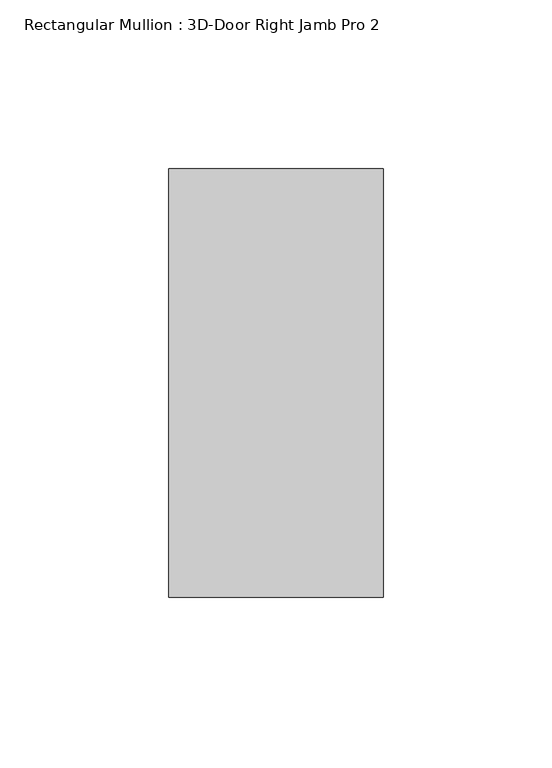
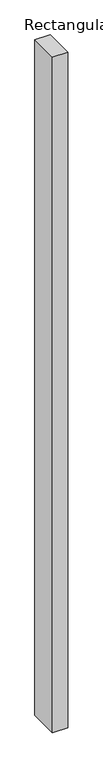
"""IFC4 building model written with IfcOpenShell, lengths in millimetres: member geometry, Rectangular Mullion : 3D-Door Right Jamb Pro 2."""

from ifc_helpers import new_model, si_unit, frame, origin, place, context, project, spatial, polyline, outline, extrude, source, transform, mapped, element, save


def rectangular_mullion_3d_door_right_jamb_pro_2_889d401a(model_context):
    return source(origin(), model_context, "Body", "SweptSolid", [
        extrude(outline(polyline([(-63.5, -63.6571461), (-63.5, 63.3428539), (0.0, 63.3428539), (0.0, -63.6571461), (-63.5, -63.6571461)])), frame((0.0, 0.0, -2984.5), z_axis=(0.0, 0.0, 1.0), x_axis=(1.0, 0.0, 0.0)), (0.0, 0.0, 1.0), 2984.5),
    ])


if __name__ == "__main__":
    model = new_model("IFC4")
    model_context = context("Model", 3, world=origin())
    ifc_project = project(units=[si_unit("LENGTHUNIT", "METRE", prefix="MILLI")], contexts=[model_context])
    site = spatial("IfcSite", under=ifc_project)
    building = spatial("IfcBuilding", under=site)
    placement = place(None, origin())
    rectangular_mullion_3d_door_right_jamb_pro_2_shape = rectangular_mullion_3d_door_right_jamb_pro_2_889d401a(model_context)
    element("IfcMember", 1, ObjectType="Rectangular Mullion : 3D-Door Right Jamb Pro 2", at=placement, inside=building, context=model_context, shape_type="MappedRepresentation", body=[
        mapped(rectangular_mullion_3d_door_right_jamb_pro_2_shape, transform((0.0, 0.0, 0.0), x_axis=(1.0, 0.0, 0.0), y_axis=(0.0, 1.0, 0.0), z_axis=(0.0, 0.0, 1.0))),
    ])
    save(model, "model.ifc")
